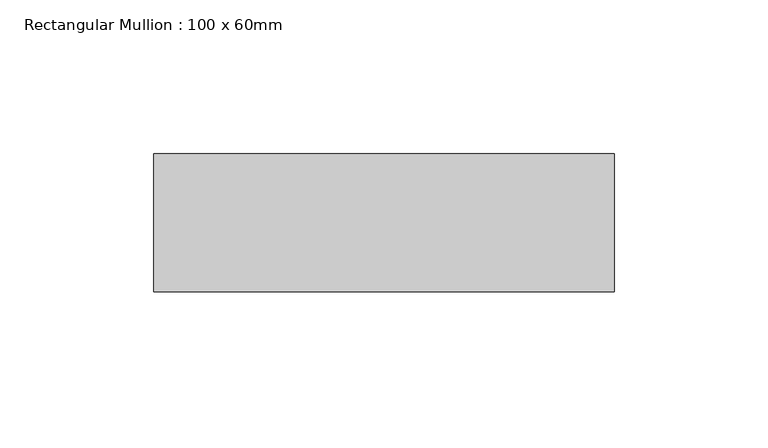
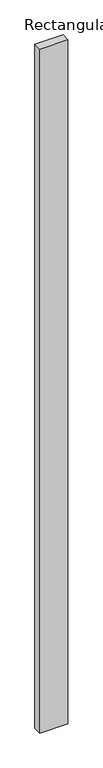
"""IFC4 building model written with IfcOpenShell, lengths in millimetres: member geometry, Rectangular Mullion : 100 x 60mm."""

from ifc_helpers import new_model, si_unit, frame, origin, place, context, project, spatial, polyline, outline, extrude, source, transform, mapped, element, save


def rectangular_mullion_100_x_60mm_13f320dc(model_context):
    return source(origin(), model_context, "Body", "SweptSolid", [
        extrude(outline(polyline([(-75.0, 30.0), (75.0, 30.0), (75.0, -15.0), (-75.0, -15.0), (-75.0, 30.0)])), frame((0.0, 0.0, -3850.0), z_axis=(0.0, 0.0, 1.0), x_axis=(1.0, 0.0, 0.0)), (0.0, 0.0, 1.0), 3850.0),
    ])


if __name__ == "__main__":
    model = new_model("IFC4")
    model_context = context("Model", 3, world=origin())
    ifc_project = project(units=[si_unit("LENGTHUNIT", "METRE", prefix="MILLI")], contexts=[model_context])
    site = spatial("IfcSite", under=ifc_project)
    building = spatial("IfcBuilding", under=site)
    placement = place(None, origin())
    rectangular_mullion_100_x_60mm_shape = rectangular_mullion_100_x_60mm_13f320dc(model_context)
    element("IfcMember", 1, ObjectType="Rectangular Mullion : 100 x 60mm", at=placement, inside=building, context=model_context, shape_type="MappedRepresentation", body=[
        mapped(rectangular_mullion_100_x_60mm_shape, transform((0.0, 0.0, 0.0), x_axis=(1.0, 0.0, 0.0), y_axis=(0.0, 1.0, 0.0), z_axis=(0.0, 0.0, 1.0))),
    ])
    save(model, "model.ifc")
